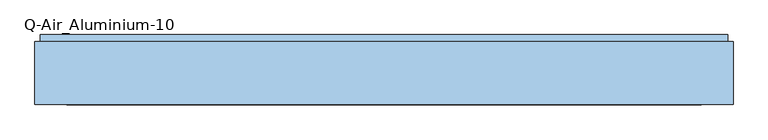
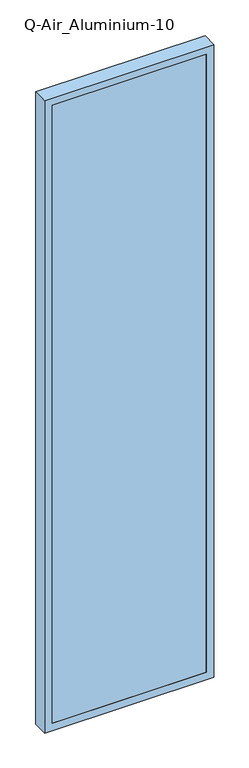
"""IFC4 building model written with IfcOpenShell, lengths in millimetres: window geometry, Q-Air_Aluminium-10."""

from ifc_helpers import new_model, si_unit, frame, origin, place, context, project, spatial, polyline, outline, extrude, source, transform, mapped, element, save


def q_air_aluminium_10_23e3ab88(model_context):
    return source(origin(), model_context, "Body", "SweptSolid", [
        extrude(outline(polyline([(5020.0, 635.0), (5020.0, -635.0), (0.0, -635.0), (0.0, 635.0), (5020.0, 635.0)]), holes=[polyline([(4962.0, 577.0), (58.0, 577.0), (58.0, -577.0), (4962.0, -577.0), (4962.0, 577.0)])]), frame((0.0, 0.0, 0.0), z_axis=(0.0, 1.0, 0.0), x_axis=(0.0, 0.0, 1.0)), (0.0, 0.0, 1.0), 114.5),
        extrude(outline(polyline([(577.0, 0.0), (-577.0, 0.0), (-577.0, 12.5), (577.0, 12.5), (577.0, 0.0)])), frame((0.0, 0.0, 58.0), z_axis=(0.0, 0.0, 1.0), x_axis=(1.0, 0.0, 0.0)), (0.0, 0.0, 1.0), 4904.0),
        extrude(outline(polyline([(625.0, 114.5), (-625.0, 114.5), (-625.0, 127.0), (625.0, 127.0), (625.0, 114.5)])), frame((0.0, 0.0, 10.0), z_axis=(0.0, 0.0, 1.0), x_axis=(1.0, 0.0, 0.0)), (0.0, 0.0, 1.0), 5000.0),
        extrude(outline(polyline([(5010.0, 625.0), (5010.0, -625.0), (10.0, -625.0), (10.0, 625.0), (5010.0, 625.0)]), holes=[polyline([(4962.0, 577.0), (58.0, 577.0), (58.0, -577.0), (4962.0, -577.0), (4962.0, 577.0)])]), frame((0.0, 114.5, 0.0), z_axis=(0.0, 1.0, 0.0), x_axis=(0.0, 0.0, 1.0)), (0.0, 0.0, 1.0), 4.0),
    ])


if __name__ == "__main__":
    model = new_model("IFC4")
    model_context = context("Model", 3, world=origin())
    ifc_project = project(units=[si_unit("LENGTHUNIT", "METRE", prefix="MILLI")], contexts=[model_context])
    site = spatial("IfcSite", under=ifc_project)
    building = spatial("IfcBuilding", under=site)
    placement = place(None, origin())
    q_air_aluminium_10_shape = q_air_aluminium_10_23e3ab88(model_context)
    element("IfcWindow", 1, ObjectType="Q-Air_Aluminium-10", at=placement, inside=building, context=model_context, shape_type="MappedRepresentation", body=[
        mapped(q_air_aluminium_10_shape, transform((0.0, 0.0, 0.0), x_axis=(1.0, 0.0, 0.0), y_axis=(0.0, 1.0, 0.0), z_axis=(0.0, 0.0, 1.0))),
    ])
    save(model, "model.ifc")
